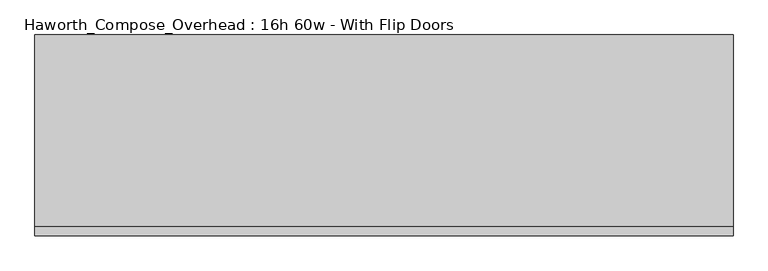
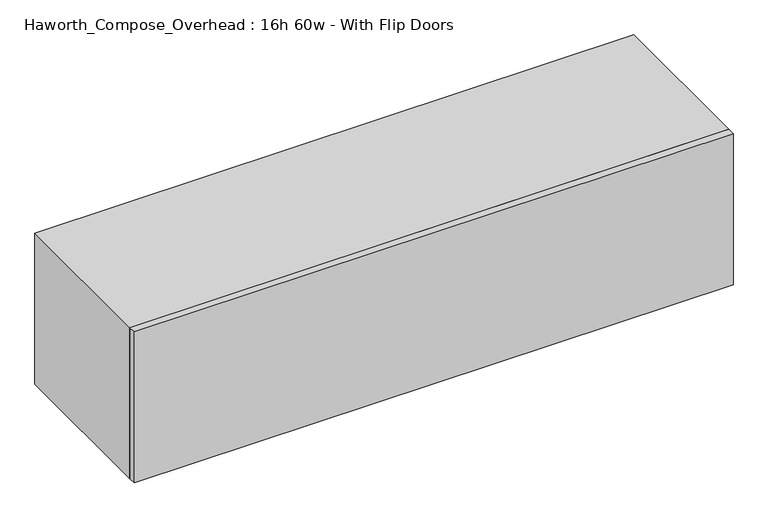
"""IFC4 building model written with IfcOpenShell, lengths in millimetres: furniture geometry, Haworth_Compose_Overhead : 16h 60w - With Flip Doors."""

import ifcopenshell
import ifcopenshell.guid

model = None  # the IFC model being written
_history = None  # IfcOwnerHistory: only IFC2X3 demands one
_inside = {}  # id of a spatial element -> (the spatial element, [elements in it])
_under = {}  # id of a project, library or spatial element -> (it, [spatial elements below it])
_declared = {}  # id of a project -> (the project, [libraries it declares])
_typed = {}  # id of a type object -> (the type object, [elements of that type])
_made_of = {}  # id of a material, layer set ... -> (it, [elements and type objects made of it])


def new_model(schema):
    """Start an empty IFC model of exactly this schema.

    Asked for "IFC4X3", IfcOpenShell would pick the latest addendum, in which some entities
    have other attributes; the version numbers below select the first issue.
    IFC2X3 requires an IfcOwnerHistory on every rooted entity: one is made here for all.
    """
    global model, _history
    if schema == "IFC4X3":
        model = ifcopenshell.file(schema_version=(4, 3, 0, 0))
    else:
        model = ifcopenshell.file(schema=schema)
    _inside.clear()
    _under.clear()
    _declared.clear()
    _typed.clear()
    _made_of.clear()
    _history = None
    if model.schema == "IFC2X3":
        org = make("IfcOrganization", Name="unknown")
        user = make(
            "IfcPersonAndOrganization",
            ThePerson=make("IfcPerson", FamilyName="unknown"),
            TheOrganization=org,
        )
        app = make(
            "IfcApplication",
            ApplicationDeveloper=org,
            Version="unknown",
            ApplicationFullName="unknown",
            ApplicationIdentifier="unknown",
        )
        _history = make(
            "IfcOwnerHistory",
            OwningUser=user,
            OwningApplication=app,
            ChangeAction="ADDED",
            CreationDate=0,
        )
    return model


def make(cls, **values):
    """One entity of the class cls with the attributes given. An attribute that is None is left unset."""
    return model.create_entity(
        cls, **{name: value for name, value in values.items() if value is not None}
    )


def rooted(cls, **values):
    """An entity with a GlobalId (a new one), such as an element, a storey or a relation."""
    return make(cls, GlobalId=ifcopenshell.guid.new(), OwnerHistory=_history, **values)


def si_unit(unit_type, name, prefix=None):
    """IfcSIUnit, for example si_unit("LENGTHUNIT", "METRE", prefix="MILLI")."""
    return make("IfcSIUnit", UnitType=unit_type, Prefix=prefix, Name=name)


def assignment(units):
    """IfcUnitAssignment: the units of a project."""
    return None if units is None else make("IfcUnitAssignment", Units=units)


def point(xyz):
    """IfcCartesianPoint."""
    return None if xyz is None else make("IfcCartesianPoint", Coordinates=xyz)


def direction(xyz):
    """IfcDirection."""
    return None if xyz is None else make("IfcDirection", DirectionRatios=xyz)


def frame(location, z_axis=None, x_axis=None):
    """IfcAxis2Placement3D, a coordinate frame: its origin and axes. An axis left out is left unset."""
    return make(
        "IfcAxis2Placement3D",
        Location=point(location),
        Axis=direction(z_axis),
        RefDirection=direction(x_axis),
    )


def origin():
    """The frame at (0, 0, 0) with its axes left unset."""
    return frame((0.0, 0.0, 0.0))


def place(relative_to, where):
    """IfcLocalPlacement: puts the frame where relative to a parent placement (None: the world)."""
    return make(
        "IfcLocalPlacement", PlacementRelTo=relative_to, RelativePlacement=where
    )


def context(
    kind, dimensions, precision=None, world=None, true_north=None, identifier=None
):
    """IfcGeometricRepresentationContext, for example the 3D "Model" context."""
    return make(
        "IfcGeometricRepresentationContext",
        ContextIdentifier=identifier,
        ContextType=kind,
        CoordinateSpaceDimension=dimensions,
        Precision=precision,
        WorldCoordinateSystem=world,
        TrueNorth=true_north,
    )


def project(units=None, contexts=None):
    """IfcProject with its units and contexts."""
    return rooted(
        "IfcProject",
        Name="project",
        RepresentationContexts=contexts,
        UnitsInContext=assignment(units),
    )


def spatial(cls, under=None, at=None, **own):
    """A site, building, storey or space (cls), placed at a placement, below another one or the project."""
    s = rooted(cls, ObjectPlacement=at, **own)
    if under is not None:
        _under.setdefault(under.id(), (under, []))[1].append(s)
    return s


def polyline(points):
    """IfcPolyline through the points."""
    return make("IfcPolyline", Points=[point(p) for p in points])


def outline(outer, holes=None, kind="AREA"):
    """IfcArbitraryClosedProfileDef: a profile drawn as a closed curve; with holes, ...WithVoids."""
    if holes is None:
        return make("IfcArbitraryClosedProfileDef", ProfileType=kind, OuterCurve=outer)
    return make(
        "IfcArbitraryProfileDefWithVoids",
        ProfileType=kind,
        OuterCurve=outer,
        InnerCurves=holes,
    )


def extrude(swept, where, along, depth):
    """IfcExtrudedAreaSolid: the profile swept, set in the frame where, extruded along a direction by depth."""
    return make(
        "IfcExtrudedAreaSolid",
        SweptArea=swept,
        Position=where,
        ExtrudedDirection=direction(along),
        Depth=depth,
    )


def shape(context_of_items, identifier, shape_type, items):
    """IfcShapeRepresentation: the items that make up one representation, for example the "Body"."""
    return make(
        "IfcShapeRepresentation",
        ContextOfItems=context_of_items,
        RepresentationIdentifier=identifier,
        RepresentationType=shape_type,
        Items=items,
    )


def source(mapping_origin, context_of_items, identifier, shape_type, items):
    """IfcRepresentationMap: a shape defined once, which mapped items show again and again."""
    return make(
        "IfcRepresentationMap",
        MappingOrigin=mapping_origin,
        MappedRepresentation=shape(context_of_items, identifier, shape_type, items),
    )


def transform(
    local_origin,
    x_axis=None,
    y_axis=None,
    z_axis=None,
    scale=None,
    scale2=None,
    scale3=None,
    uniform=True,
):
    """IfcCartesianTransformationOperator3D, or its non-uniform kind. x_axis, y_axis, z_axis: its Axis1, 2, 3."""
    if uniform:
        return make(
            "IfcCartesianTransformationOperator3D",
            Axis1=direction(x_axis),
            Axis2=direction(y_axis),
            LocalOrigin=point(local_origin),
            Scale=scale,
            Axis3=direction(z_axis),
        )
    return make(
        "IfcCartesianTransformationOperator3DnonUniform",
        Axis1=direction(x_axis),
        Axis2=direction(y_axis),
        LocalOrigin=point(local_origin),
        Scale=scale,
        Axis3=direction(z_axis),
        Scale2=scale2,
        Scale3=scale3,
    )


def mapped(mapping_source, mapping_target):
    """IfcMappedItem: shows the shape of a source again, moved by a transform."""
    return make(
        "IfcMappedItem", MappingSource=mapping_source, MappingTarget=mapping_target
    )


def made_of(thing, what):
    """Note that an element or type object is made of a material, layer set ...; save() writes the relation."""
    if what is not None:
        _made_of.setdefault(what.id(), (what, []))[1].append(thing)
    return thing


def element(
    cls,
    number,
    at=None,
    inside=None,
    cuts=None,
    type_object=None,
    material=None,
    context=None,
    identifier="Body",
    shape_type=None,
    held_by="IfcProductDefinitionShape",
    body=None,
    shapes=None,
    **own,
):
    """One element of the class cls, such as IfcWall. Its Tag is "e" and its number.

    at: its placement. inside: the storey or other place that contains it. cuts: it is an
    opening in that element (IfcRelVoidsElement). A single representation is given by context,
    identifier, shape_type and body (its items); several are given by shapes. held_by: the class
    of the entity that holds the representations. save() writes the other relations.
    """
    e = rooted(cls, Tag="e%d" % number, ObjectPlacement=at, **own)
    if body is not None:
        shapes = [shape(context, identifier, shape_type, body)]
    if shapes is not None:
        e.Representation = make(held_by, Representations=shapes)
    if inside is not None:
        _inside.setdefault(inside.id(), (inside, []))[1].append(e)
    if cuts is not None:
        rooted(
            "IfcRelVoidsElement", RelatingBuildingElement=cuts, RelatedOpeningElement=e
        )
    if type_object is not None:
        _typed.setdefault(type_object.id(), (type_object, []))[1].append(e)
    return made_of(e, material)


def aggregate(whole, parts):
    """IfcRelAggregates: a whole, such as a stair, and the parts it consists of."""
    return rooted("IfcRelAggregates", RelatingObject=whole, RelatedObjects=parts)


def save(model, path):
    """Write the relations noted so far, then the file.

    IfcRelAggregates (storeys below a building ...), IfcRelContainedInSpatialStructure (elements
    in a storey), IfcRelDefinesByType, IfcRelAssociatesMaterial and IfcRelDeclares: one each for
    every whole, place, type object, material and project.
    """
    for whole, parts in _under.values():
        aggregate(whole, parts)
    for where, things in _inside.values():
        rooted(
            "IfcRelContainedInSpatialStructure",
            RelatedElements=things,
            RelatingStructure=where,
        )
    for kind, things in _typed.values():
        rooted("IfcRelDefinesByType", RelatedObjects=things, RelatingType=kind)
    for what, things in _made_of.values():
        rooted("IfcRelAssociatesMaterial", RelatedObjects=things, RelatingMaterial=what)
    for by, libraries in _declared.values():
        rooted("IfcRelDeclares", RelatingContext=by, RelatedDefinitions=libraries)
    model.write(path)


def haworth_compose_overhead_16h_60w_with_flip_doors_bb208c1b(model_context):
    return source(origin(), model_context, "Body", "SweptSolid", [
        extrude(outline(polyline([(927.1, -438.15), (-596.9, -438.15), (-596.9, -419.1), (927.1, -419.1), (927.1, -438.15)])), frame((0.0, 0.0, 1270.0), z_axis=(0.0, 0.0, 1.0), x_axis=(1.0, 0.0, 0.0)), (0.0, 0.0, 1.0), 406.4),
        extrude(outline(polyline([(901.7, -6.35), (-571.5, -6.35), (-571.5, 0.0), (901.7, 0.0), (901.7, -6.35)])), frame((0.0, 0.0, 1295.4), z_axis=(0.0, 0.0, 1.0), x_axis=(1.0, 0.0, 0.0)), (0.0, 0.0, 1.0), 355.6),
        extrude(outline(polyline([(1270.0, 927.1), (1676.4, 927.1), (1676.4, -596.9), (1270.0, -596.9), (1270.0, 927.1)]), holes=[polyline([(1651.0, 901.7), (1295.4, 901.7), (1295.4, -571.5), (1651.0, -571.5), (1651.0, 901.7)])]), frame((0.0, -419.1, 0.0), z_axis=(0.0, 1.0, 0.0), x_axis=(0.0, 0.0, 1.0)), (0.0, 0.0, 1.0), 419.1),
    ])


if __name__ == "__main__":
    model = new_model("IFC4")
    model_context = context("Model", 3, world=origin())
    ifc_project = project(units=[si_unit("LENGTHUNIT", "METRE", prefix="MILLI")], contexts=[model_context])
    site = spatial("IfcSite", under=ifc_project)
    building = spatial("IfcBuilding", under=site)
    placement = place(None, origin())
    haworth_compose_overhead_16h_60w_with_flip_doors_shape = haworth_compose_overhead_16h_60w_with_flip_doors_bb208c1b(model_context)
    element("IfcFurniture", 1, ObjectType="Haworth_Compose_Overhead : 16h 60w - With Flip Doors", at=placement, inside=building, context=model_context, shape_type="MappedRepresentation", body=[
        mapped(haworth_compose_overhead_16h_60w_with_flip_doors_shape, transform((0.0, 0.0, 0.0), x_axis=(1.0, 0.0, 0.0), y_axis=(0.0, 1.0, 0.0), z_axis=(0.0, 0.0, 1.0))),
    ])
    save(model, "model.ifc")
